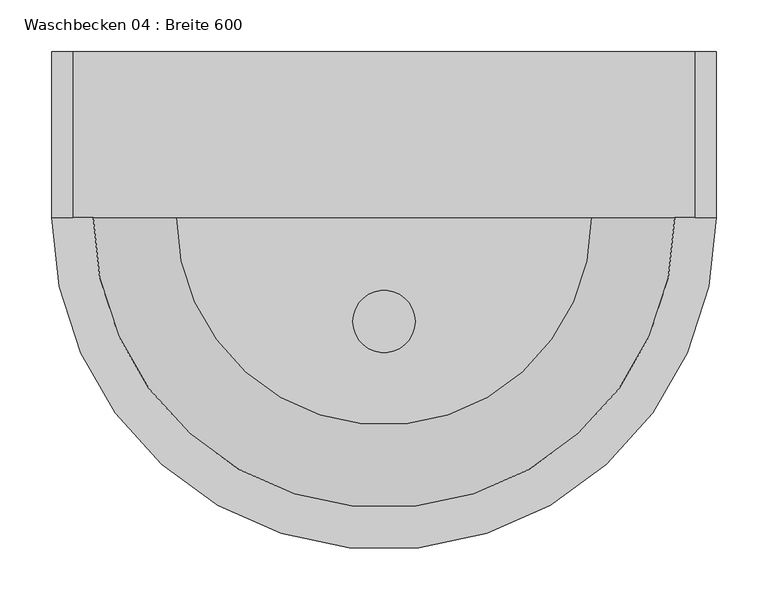
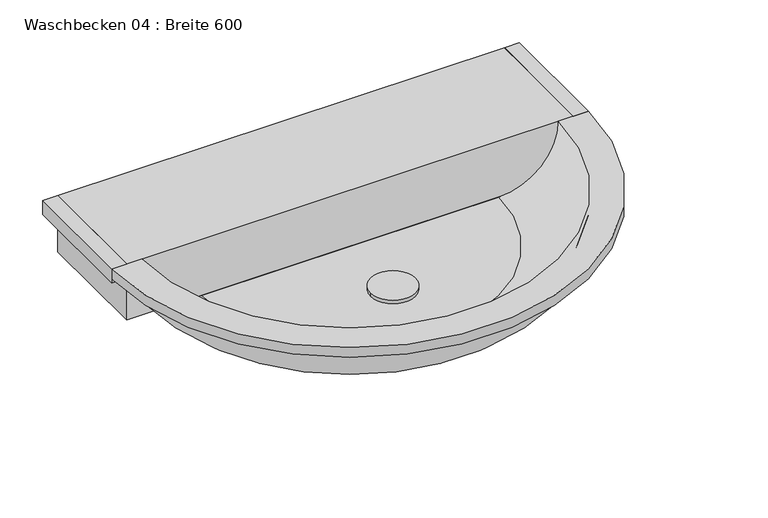
"""IFC4 building model written with IfcOpenShell, lengths in millimetres: flow terminal geometry, Waschbecken 04 : Breite 600."""

from ifc_helpers import new_model, si_unit, point, frame, frame_2d, origin, origin_with_axes, place, context, project, spatial, polyline, circle_curve, ellipse_curve, trimmed, segment, composite_curve, outline, extrude, source, transform, mapped, element, save
from ifc_brep_helpers import plane_surface, cylinder_surface, revolved_surface, advanced_brep


def waschbecken_04_breite_600_cd643731(model_context):
    return source(origin(), model_context, "Body", "SolidModel", [
        extrude(outline(composite_curve([segment(trimmed(circle_curve(frame_2d((0.0, -140.0)), 30.0), [point((-30.0, -140.0))], [point((30.0, -140.0))], False, "CARTESIAN"), True, "CONTINUOUS"), segment(trimmed(circle_curve(frame_2d((0.0, -140.0)), 30.0), [point((30.0, -140.0))], [point((-30.0, -140.0))], False, "CARTESIAN"), True, "CONTINUOUS")], self_intersect=False)), frame((0.0, 0.0, -60.0), z_axis=(0.0, 0.0, 1.0), x_axis=(1.0, 0.0, 0.0)), (0.0, 0.0, 1.0), 5.0),
        extrude(outline(polyline([(-300.0, -40.0), (-320.0, -40.0), (-320.0, 120.0), (-300.0, 120.0), (-300.0, -40.0)])), origin_with_axes(), (0.0, 0.0, 1.0), 20.0),
        extrude(outline(polyline([(300.0, -40.0), (300.0, 120.0), (320.0, 120.0), (320.0, -40.0), (300.0, -40.0)])), origin_with_axes(), (0.0, 0.0, 1.0), 20.0),
        extrude(outline(composite_curve([segment(trimmed(circle_curve(frame_2d((20.0, -200.0)), 100.0), [point((-60.0, -260.0))], [point((-80.0, -200.0))], False, "CARTESIAN"), True, "CONTINUOUS"), segment(polyline([(-80.0, -200.0), (-80.0, 0.0), (-80.0, 200.0)]), True, "CONTINUOUS"), segment(trimmed(circle_curve(frame_2d((20.0, 200.0)), 100.0), [point((-80.0, 200.0))], [point((-60.0, 260.0))], False, "CARTESIAN"), True, "CONTINUOUS"), segment(polyline([(-60.0, 260.0), (-60.0, 0.0), (-60.0, -260.0)]), True, "CONTINUOUS")], self_intersect=False)), frame((0.0, -40.0, 0.0), z_axis=(0.0, 1.0, 0.0), x_axis=(0.0, 0.0, 1.0)), (0.0, 0.0, 1.0), 20.0),
        advanced_brep(
        [(-320.0, -40.0, 20.0), (-280.0, -40.0, 20.0), (-200.0, -40.0, -60.0), (0.0, -40.0, -60.0), (0.0, -40.0, -80.0), (-200.0, -40.0, -80.0), (-298.9974874, -40.0, 5.8756422), (-320.0, -40.0, 5.8756422), (320.0, -40.0, 20.0), (320.0, -40.0, 5.8756422), (298.9974874, -40.0, 5.8756422), (200.0, -40.0, -80.0), (200.0, -40.0, -60.0), (280.0, -40.0, 20.0)],
        [
            (0, 1),
            (1, 2, circle_curve(frame((-200.0, -40.0, 20.0), z_axis=(0.0, -1.0, 0.0), x_axis=(-1.0, 0.0, 0.0)), 80.0)),
            (2, 3),
            (3, 4),
            (4, 5),
            (5, 6, circle_curve(frame((-200.0, -40.0, 20.0), z_axis=(0.0, 1.0, 0.0), x_axis=(-1.0, 0.0, 0.0)), 100.0)),
            (6, 7),
            (7, 0),
            (8, 9),
            (9, 10),
            (10, 11, circle_curve(frame((200.0, -40.0, 20.0), z_axis=(0.0, 1.0, 0.0), x_axis=(1.0, 0.0, 0.0)), 100.0)),
            (11, 4),
            (3, 12),
            (12, 13, circle_curve(frame((200.0, -40.0, 20.0), z_axis=(0.0, -1.0, 0.0), x_axis=(1.0, 0.0, 0.0)), 80.0)),
            (13, 8),
            (13, 1, circle_curve(frame((0.0, -40.0, 20.0), z_axis=(0.0, 0.0, -1.0), x_axis=(-1.0, 0.0, 0.0)), 280.0)),
            (0, 8, circle_curve(frame((0.0, -40.0, 20.0), z_axis=(0.0, 0.0, 1.0), x_axis=(-1.0, 0.0, 0.0)), 320.0)),
            (12, 2, circle_curve(frame((0.0, -40.0, -60.0), z_axis=(0.0, 0.0, -1.0), x_axis=(-1.0, 0.0, 0.0)), 200.0)),
            (11, 5, circle_curve(frame((0.0, -40.0, -80.0), z_axis=(0.0, 0.0, -1.0), x_axis=(-1.0, 0.0, 0.0)), 200.0)),
            (10, 6, circle_curve(frame((0.0, -40.0, 5.8756422), z_axis=(0.0, 0.0, -1.0), x_axis=(-1.0, 0.0, 0.0)), 298.9974874)),
            (9, 7, circle_curve(frame((0.0, -40.0, 5.8756422), z_axis=(0.0, 0.0, -1.0), x_axis=(-1.0, 0.0, 0.0)), 320.0)),
        ],
        [
            plane_surface(frame((0.0, -40.0, 2129.2141709), z_axis=(0.0, 1.0, 0.0), x_axis=(-1.0, 0.0, 0.0))),
            plane_surface(frame((0.0, -40.0, 2129.2141709), z_axis=(0.0, 1.0, 0.0), x_axis=(1.0, 0.0, 0.0))),
            plane_surface(frame((0.0, -40.0, 20.0), z_axis=(0.0, 0.0, 1.0), x_axis=(-1.0, 0.0, 0.0))),
            revolved_surface(trimmed(ellipse_curve(frame((-200.0, -40.0, 20.0), z_axis=(0.0, -1.0, 0.0), x_axis=(-1.0, 0.0, 0.0)), 80.0, 80.0), [point((-280.0, -40.0, 20.0))], [point((-200.0, -40.0, -60.0))], True, "CARTESIAN"), (0.0, -40.0, 2129.2141709), (0.0, 0.0, 1.0)),
            plane_surface(frame((0.0, -40.0, -60.0), z_axis=(0.0, 0.0, 1.0), x_axis=(-1.0, 0.0, 0.0))),
            plane_surface(frame((0.0, -40.0, -80.0), z_axis=(0.0, 0.0, -1.0), x_axis=(-1.0, 0.0, 0.0))),
            revolved_surface(trimmed(ellipse_curve(frame((-200.0, -40.0, 20.0), z_axis=(0.0, 1.0, 0.0), x_axis=(-1.0, 0.0, 0.0)), 100.0, 100.0), [point((-200.0, -40.0, -80.0))], [point((-298.9974874, -40.0, 5.8756422))], True, "CARTESIAN"), (0.0, -40.0, 2129.2141709), (0.0, 0.0, 1.0)),
            plane_surface(frame((0.0, -40.0, 5.8756422), z_axis=(0.0, 0.0, -1.0), x_axis=(-1.0, 0.0, 0.0))),
            cylinder_surface(frame((0.0, -40.0, 2129.2141709), z_axis=(0.0, 0.0, 1.0), x_axis=(-1.0, 0.0, 0.0)), 320.0),
        ],
        [
            (0, [[1, 2, 3, 4, 5, 6, 7, 8]]),
            (1, [[9, 10, 11, 12, -4, 13, 14, 15]]),
            (2, [[16, -1, 17, -15]]),
            (3, [[18, -2, -16, -14]]),
            (4, [[-3, -18, -13]]),
            (5, [[19, -5, -12]]),
            (6, [[20, -6, -19, -11]]),
            (7, [[21, -7, -20, -10]]),
            (8, [[-17, -8, -21, -9]]),
        ],
    ),
        extrude(outline(polyline([(-300.0, -40.0), (-300.0, 120.0), (300.0, 120.0), (300.0, -40.0), (-300.0, -40.0)])), frame((0.0, 0.0, -60.0), z_axis=(0.0, 0.0, 1.0), x_axis=(1.0, 0.0, 0.0)), (0.0, 0.0, 1.0), 80.0),
    ])


if __name__ == "__main__":
    model = new_model("IFC4")
    model_context = context("Model", 3, world=origin())
    ifc_project = project(units=[si_unit("LENGTHUNIT", "METRE", prefix="MILLI")], contexts=[model_context])
    site = spatial("IfcSite", under=ifc_project)
    building = spatial("IfcBuilding", under=site)
    placement = place(None, origin())
    waschbecken_04_breite_600_shape = waschbecken_04_breite_600_cd643731(model_context)
    element("IfcFlowTerminal", 1, ObjectType="Waschbecken 04 : Breite 600", at=placement, inside=building, context=model_context, shape_type="MappedRepresentation", body=[
        mapped(waschbecken_04_breite_600_shape, transform((0.0, 0.0, 0.0), x_axis=(1.0, 0.0, 0.0), y_axis=(0.0, 1.0, 0.0), z_axis=(0.0, 0.0, 1.0))),
    ])
    save(model, "model.ifc")
